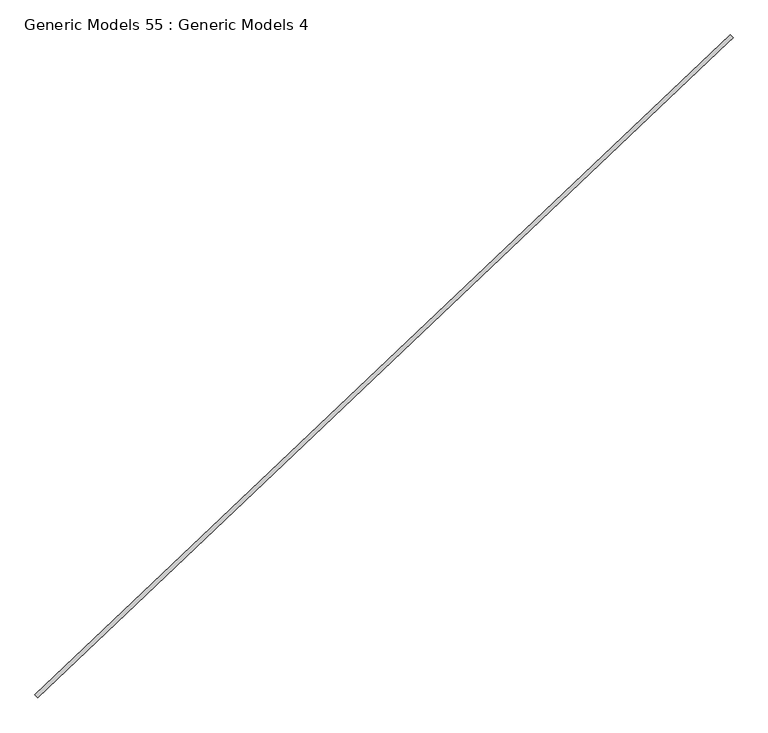
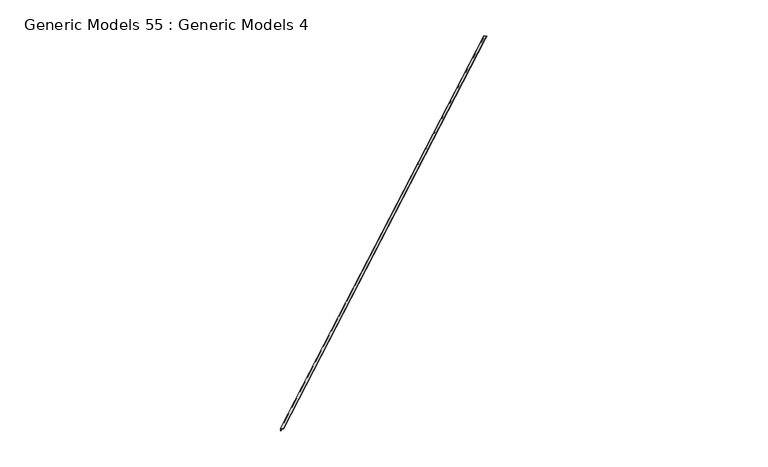
"""IFC4 building model written with IfcOpenShell, lengths in millimetres: proxy geometry, Generic Models 55 : Generic Models 4."""

from ifc_helpers import new_model, si_unit, frame, origin, place, context, project, spatial, polyline, circle_curve, source, transform, mapped, element, save
from ifc_brep_helpers import plane_surface, cylinder_surface, revolved_surface, advanced_brep


def generic_models_55_generic_models_4_624057e4(model_context):
    return source(origin(), model_context, "Body", "AdvancedBrep", [
        advanced_brep(
        [(101877.1705913, 42391.7584177, 17805.4), (101877.1705913, 42391.7584177, 17729.2015088), (101881.5416428, 42387.1522905, 17736.7239448), (101881.5416428, 42387.1522905, 17791.4193272), (101886.7942513, 42381.617196, 17799.05), (101924.4440681, 42341.9425674, 17799.05), (101929.6221714, 42336.4859851, 17805.4), (114701.7804036, 54561.8587116, 17805.4), (114754.2319837, 54506.5862789, 17805.4), (114749.0538804, 54512.0428612, 17799.05), (114711.4040637, 54551.7174898, 17799.05), (114706.1514551, 54557.2525843, 17791.4193272), (114706.1514551, 54557.2525843, 17736.7239448), (114701.7804036, 54561.8587116, 17729.2015088), (114667.8670976, 54424.6290622, 17805.4), (114615.4155175, 54479.9014949, 17729.2015088)],
        [
            (0, 1),
            (1, 2, circle_curve(frame((101876.2890343, 42392.687385, 17736.7239448), z_axis=(-0.725374371012385, -0.6883545756936514, 0.0), x_axis=(0.0, 0.0, -1.0)), 7.6306728)),
            (2, 3),
            (3, 4, circle_curve(frame((101886.7942513, 42381.617196, 17791.4193272), z_axis=(0.725374371012385, 0.6883545756936514, 0.0), x_axis=(0.0, 0.0, -1.0)), 7.6306728)),
            (4, 5),
            (5, 6, circle_curve(frame((101924.4440681, 42341.9425674, 17806.6806728), z_axis=(-0.725374371012385, -0.6883545756936514, 0.0), x_axis=(0.0, 0.0, -1.0)), 7.6306728)),
            (6, 0),
            (7, 8),
            (8, 9, circle_curve(frame((114749.0538804, 54512.0428612, 17806.6806728), z_axis=(0.725374371012385, 0.6883545756936514, 0.0), x_axis=(0.0, 0.0, -1.0)), 7.6306728)),
            (9, 10),
            (10, 11, circle_curve(frame((114711.4040637, 54551.7174898, 17791.4193272), z_axis=(-0.725374371012385, -0.6883545756936514, 0.0), x_axis=(0.0, 0.0, -1.0)), 7.6306728)),
            (11, 12),
            (12, 13, circle_curve(frame((114700.8988466, 54562.7876788, 17736.7239448), z_axis=(0.725374371012385, 0.6883545756936514, 0.0), x_axis=(0.0, 0.0, -1.0)), 7.6306728)),
            (13, 7),
            (3, 11),
            (10, 4),
            (2, 12),
            (9, 5),
            (8, 14),
            (14, 6),
            (1, 15),
            (15, 13),
            (0, 7),
        ],
        [
            plane_surface(frame((101877.1705913, 42391.7584177, 17805.4), z_axis=(-0.725374371012385, -0.6883545756936514, 0.0), x_axis=(0.0, 0.0, 1.0))),
            plane_surface(frame((114701.7804036, 54561.8587116, 17805.4), z_axis=(0.725374371012385, 0.6883545756936514, 0.0), x_axis=(0.0, 0.0, 1.0))),
            revolved_surface(polyline([(114711.40406364601, 54551.717489856885, 17783.7886544), (101886.7942513, 42381.617196, 17783.7886544)]), (101886.7942513, 42381.617196, 17791.4193272), (0.725374371012385, 0.6883545756936514, 0.0)),
            plane_surface(frame((101881.5416428, 42387.1522905, 17736.7239448), z_axis=(0.6883545756936515, -0.7253743710123848, 0.0), x_axis=(0.7253743710123848, 0.6883545756936515, 0.0))),
            plane_surface(frame((101886.7942513, 42381.617196, 17799.05), z_axis=(0.0, 0.0, -1.0000000000000002), x_axis=(0.7253743710123847, 0.6883545756936519, 0.0))),
            cylinder_surface(frame((101924.4440681, 42341.9425674, 17806.6806728), z_axis=(-0.725374371012385, -0.6883545756936514, 0.0), x_axis=(0.0, 0.0, -1.0)), 7.6306728),
            cylinder_surface(frame((101876.2890343, 42392.687385, 17736.7239448), z_axis=(-0.725374371012385, -0.6883545756936514, 0.0), x_axis=(0.0, 0.0, -1.0)), 7.6306728),
            plane_surface(frame((101877.1705913, 42391.7584177, 17805.4), z_axis=(-0.6883545756936511, 0.7253743710123853, 0.0), x_axis=(0.7253743710123853, 0.6883545756936511, 0.0))),
            plane_surface(frame((101929.6221714, 42336.4859851, 17805.4), z_axis=(0.0, 0.0, 1.0), x_axis=(0.7253743710123853, 0.6883545756936511, 0.0))),
        ],
        [
            (0, [[1, 2, 3, 4, 5, 6, 7]]),
            (1, [[8, 9, 10, 11, 12, 13, 14]]),
            (2, [[-4, 15, -11, 16]]),
            (3, [[-3, 17, -12, -15]]),
            (4, [[-5, -16, -10, 18]]),
            (5, [[-6, -18, -9, 19, 20]]),
            (6, [[-2, 21, 22, -13, -17]]),
            (7, [[-1, 23, -14, -22, -21]]),
            (8, [[-7, -20, -19, -8, -23]]),
        ],
    ),
    ])


if __name__ == "__main__":
    model = new_model("IFC4")
    model_context = context("Model", 3, world=origin())
    ifc_project = project(units=[si_unit("LENGTHUNIT", "METRE", prefix="MILLI")], contexts=[model_context])
    site = spatial("IfcSite", under=ifc_project)
    building = spatial("IfcBuilding", under=site)
    placement = place(None, origin())
    generic_models_55_generic_models_4_shape = generic_models_55_generic_models_4_624057e4(model_context)
    element("IfcBuildingElementProxy", 1, Name="Generic Models 55 : Generic Models 4", ObjectType="Generic Models 55 : Generic Models 4", at=placement, inside=building, context=model_context, shape_type="MappedRepresentation", body=[
        mapped(generic_models_55_generic_models_4_shape, transform((0.0, 0.0, 0.0), x_axis=(1.0, 0.0, 0.0), y_axis=(0.0, 1.0, 0.0), z_axis=(0.0, 0.0, 1.0))),
    ])
    save(model, "model.ifc")
